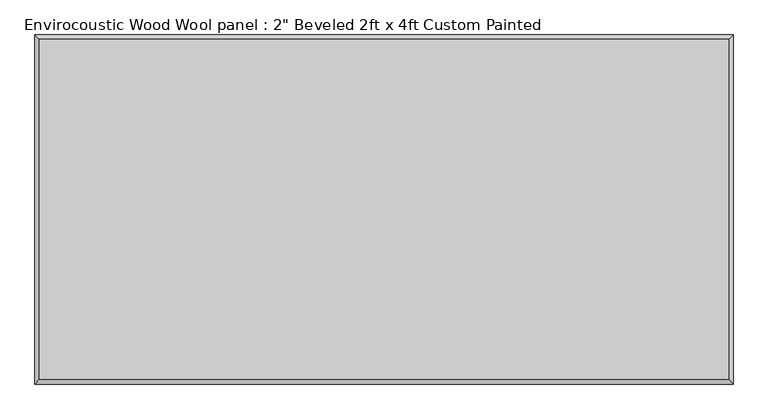
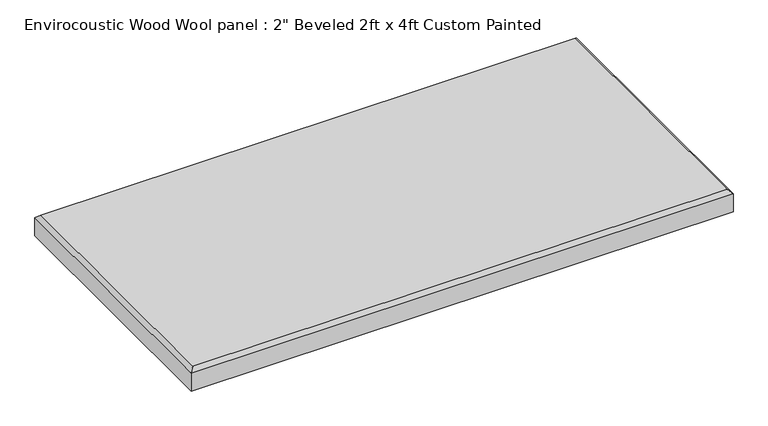
"""IFC4 building model written with IfcOpenShell, lengths in millimetres: proxy geometry."""

from ifc_helpers import new_model, si_unit, origin, place, context, project, spatial, faceted_brep, source, transform, mapped, element, save


def proxy_7031a86e(model_context):
    return source(origin(), model_context, "Body", "Brep", [
        faceted_brep([(601.599, 296.799, 50.8), (-601.599, 296.799, 50.8), (-601.599, -296.799, 50.8), (601.599, -296.799, 50.8), (-609.6, 304.8, 0.0), (609.6, 304.8, 0.0), (609.6, -304.8, 0.0), (-609.6, -304.8, 0.0), (-609.6, -304.8, 42.799), (-609.6, 304.8, 42.799), (609.6, -304.8, 42.799), (609.6, 304.8, 42.799)], [[[0, 1, 2, 3]], [[4, 5, 6, 7]], [[4, 7, 8, 9]], [[7, 6, 10, 8]], [[6, 5, 11, 10]], [[5, 4, 9, 11]], [[9, 1, 0, 11]], [[1, 9, 8, 2]], [[2, 8, 10, 3]], [[11, 0, 3, 10]]]),
    ])


if __name__ == "__main__":
    model = new_model("IFC4")
    model_context = context("Model", 3, world=origin())
    ifc_project = project(units=[si_unit("LENGTHUNIT", "METRE", prefix="MILLI")], contexts=[model_context])
    site = spatial("IfcSite", under=ifc_project)
    building = spatial("IfcBuilding", under=site)
    placement = place(None, origin())
    proxy_shape = proxy_7031a86e(model_context)
    element("IfcBuildingElementProxy", 1, Name="Envirocoustic Wood Wool panel : 2\" Beveled 2ft x 4ft Custom Painted", ObjectType="Envirocoustic Wood Wool panel : 2\" Beveled 2ft x 4ft Custom Painted", at=placement, inside=building, context=model_context, shape_type="MappedRepresentation", body=[
        mapped(proxy_shape, transform((0.0, 0.0, 0.0), x_axis=(1.0, 0.0, 0.0), y_axis=(0.0, 1.0, 0.0), z_axis=(0.0, 0.0, 1.0))),
    ])
    save(model, "model.ifc")
